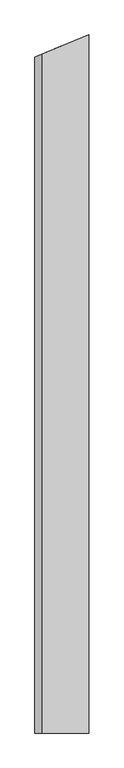
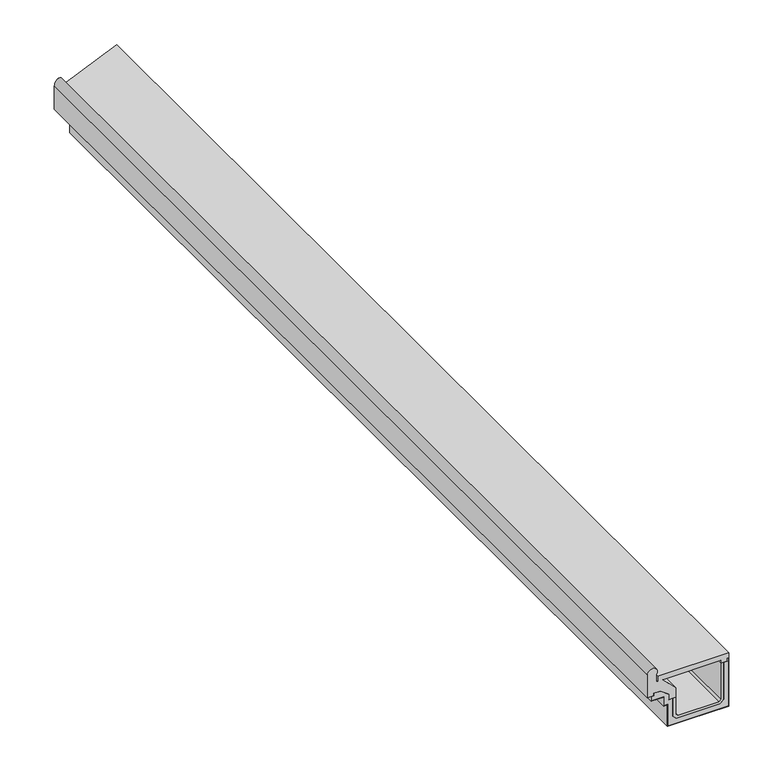
"""IFC4 building model written with IfcOpenShell, lengths in millimetres: proxy geometry."""

import ifcopenshell
import ifcopenshell.guid

model = None  # the IFC model being written
_history = None  # IfcOwnerHistory: only IFC2X3 demands one
_inside = {}  # id of a spatial element -> (the spatial element, [elements in it])
_under = {}  # id of a project, library or spatial element -> (it, [spatial elements below it])
_declared = {}  # id of a project -> (the project, [libraries it declares])
_typed = {}  # id of a type object -> (the type object, [elements of that type])
_made_of = {}  # id of a material, layer set ... -> (it, [elements and type objects made of it])


def new_model(schema):
    """Start an empty IFC model of exactly this schema.

    Asked for "IFC4X3", IfcOpenShell would pick the latest addendum, in which some entities
    have other attributes; the version numbers below select the first issue.
    IFC2X3 requires an IfcOwnerHistory on every rooted entity: one is made here for all.
    """
    global model, _history
    if schema == "IFC4X3":
        model = ifcopenshell.file(schema_version=(4, 3, 0, 0))
    else:
        model = ifcopenshell.file(schema=schema)
    _inside.clear()
    _under.clear()
    _declared.clear()
    _typed.clear()
    _made_of.clear()
    _history = None
    if model.schema == "IFC2X3":
        org = make("IfcOrganization", Name="unknown")
        user = make(
            "IfcPersonAndOrganization",
            ThePerson=make("IfcPerson", FamilyName="unknown"),
            TheOrganization=org,
        )
        app = make(
            "IfcApplication",
            ApplicationDeveloper=org,
            Version="unknown",
            ApplicationFullName="unknown",
            ApplicationIdentifier="unknown",
        )
        _history = make(
            "IfcOwnerHistory",
            OwningUser=user,
            OwningApplication=app,
            ChangeAction="ADDED",
            CreationDate=0,
        )
    return model


def make(cls, **values):
    """One entity of the class cls with the attributes given. An attribute that is None is left unset."""
    return model.create_entity(
        cls, **{name: value for name, value in values.items() if value is not None}
    )


def rooted(cls, **values):
    """An entity with a GlobalId (a new one), such as an element, a storey or a relation."""
    return make(cls, GlobalId=ifcopenshell.guid.new(), OwnerHistory=_history, **values)


def si_unit(unit_type, name, prefix=None):
    """IfcSIUnit, for example si_unit("LENGTHUNIT", "METRE", prefix="MILLI")."""
    return make("IfcSIUnit", UnitType=unit_type, Prefix=prefix, Name=name)


def assignment(units):
    """IfcUnitAssignment: the units of a project."""
    return None if units is None else make("IfcUnitAssignment", Units=units)


def point(xyz):
    """IfcCartesianPoint."""
    return None if xyz is None else make("IfcCartesianPoint", Coordinates=xyz)


def direction(xyz):
    """IfcDirection."""
    return None if xyz is None else make("IfcDirection", DirectionRatios=xyz)


def frame(location, z_axis=None, x_axis=None):
    """IfcAxis2Placement3D, a coordinate frame: its origin and axes. An axis left out is left unset."""
    return make(
        "IfcAxis2Placement3D",
        Location=point(location),
        Axis=direction(z_axis),
        RefDirection=direction(x_axis),
    )


def origin():
    """The frame at (0, 0, 0) with its axes left unset."""
    return frame((0.0, 0.0, 0.0))


def place(relative_to, where):
    """IfcLocalPlacement: puts the frame where relative to a parent placement (None: the world)."""
    return make(
        "IfcLocalPlacement", PlacementRelTo=relative_to, RelativePlacement=where
    )


def context(
    kind, dimensions, precision=None, world=None, true_north=None, identifier=None
):
    """IfcGeometricRepresentationContext, for example the 3D "Model" context."""
    return make(
        "IfcGeometricRepresentationContext",
        ContextIdentifier=identifier,
        ContextType=kind,
        CoordinateSpaceDimension=dimensions,
        Precision=precision,
        WorldCoordinateSystem=world,
        TrueNorth=true_north,
    )


def project(units=None, contexts=None):
    """IfcProject with its units and contexts."""
    return rooted(
        "IfcProject",
        Name="project",
        RepresentationContexts=contexts,
        UnitsInContext=assignment(units),
    )


def spatial(cls, under=None, at=None, **own):
    """A site, building, storey or space (cls), placed at a placement, below another one or the project."""
    s = rooted(cls, ObjectPlacement=at, **own)
    if under is not None:
        _under.setdefault(under.id(), (under, []))[1].append(s)
    return s


def circle_curve(where, radius):
    """IfcCircle in the frame where."""
    return make("IfcCircle", Position=where, Radius=radius)


def ellipse_curve(where, semi_axis1, semi_axis2):
    """IfcEllipse in the frame where."""
    return make(
        "IfcEllipse", Position=where, SemiAxis1=semi_axis1, SemiAxis2=semi_axis2
    )


def faces_of(points, faces, orient=None, outer=None):
    """IfcFace entities. A face is a list of loops; a loop is a list of indices into points, from 0.

    orient and outer hold one flag for each loop. By default every Orientation is true, the
    first loop of a face is its IfcFaceOuterBound and the others are IfcFaceBound.
    """
    made = []
    for i, loops in enumerate(faces):
        bounds = []
        for j, loop in enumerate(loops):
            is_outer = j == 0 if outer is None else outer[i][j]
            bounds.append(
                make(
                    "IfcFaceOuterBound" if is_outer else "IfcFaceBound",
                    Bound=make("IfcPolyLoop", Polygon=[points[k] for k in loop]),
                    Orientation=True if orient is None else orient[i][j],
                )
            )
        made.append(make("IfcFace", Bounds=bounds))
    return made


def faceted_brep(points, faces, orient=None, outer=None, voids=None):
    """IfcFacetedBrep: a solid bounded by flat faces; with voids (closed shells), ...WithVoids."""
    shared = [point(p) for p in points]
    hull = make("IfcClosedShell", CfsFaces=faces_of(shared, faces, orient, outer))
    if voids is None:
        return make("IfcFacetedBrep", Outer=hull)
    return make(
        "IfcFacetedBrepWithVoids",
        Outer=hull,
        Voids=[
            make(cls, CfsFaces=faces_of(shared, fs, o, b)) for cls, fs, o, b in voids
        ],
    )


def shape(context_of_items, identifier, shape_type, items):
    """IfcShapeRepresentation: the items that make up one representation, for example the "Body"."""
    return make(
        "IfcShapeRepresentation",
        ContextOfItems=context_of_items,
        RepresentationIdentifier=identifier,
        RepresentationType=shape_type,
        Items=items,
    )


def source(mapping_origin, context_of_items, identifier, shape_type, items):
    """IfcRepresentationMap: a shape defined once, which mapped items show again and again."""
    return make(
        "IfcRepresentationMap",
        MappingOrigin=mapping_origin,
        MappedRepresentation=shape(context_of_items, identifier, shape_type, items),
    )


def transform(
    local_origin,
    x_axis=None,
    y_axis=None,
    z_axis=None,
    scale=None,
    scale2=None,
    scale3=None,
    uniform=True,
):
    """IfcCartesianTransformationOperator3D, or its non-uniform kind. x_axis, y_axis, z_axis: its Axis1, 2, 3."""
    if uniform:
        return make(
            "IfcCartesianTransformationOperator3D",
            Axis1=direction(x_axis),
            Axis2=direction(y_axis),
            LocalOrigin=point(local_origin),
            Scale=scale,
            Axis3=direction(z_axis),
        )
    return make(
        "IfcCartesianTransformationOperator3DnonUniform",
        Axis1=direction(x_axis),
        Axis2=direction(y_axis),
        LocalOrigin=point(local_origin),
        Scale=scale,
        Axis3=direction(z_axis),
        Scale2=scale2,
        Scale3=scale3,
    )


def mapped(mapping_source, mapping_target):
    """IfcMappedItem: shows the shape of a source again, moved by a transform."""
    return make(
        "IfcMappedItem", MappingSource=mapping_source, MappingTarget=mapping_target
    )


def made_of(thing, what):
    """Note that an element or type object is made of a material, layer set ...; save() writes the relation."""
    if what is not None:
        _made_of.setdefault(what.id(), (what, []))[1].append(thing)
    return thing


def element(
    cls,
    number,
    at=None,
    inside=None,
    cuts=None,
    type_object=None,
    material=None,
    context=None,
    identifier="Body",
    shape_type=None,
    held_by="IfcProductDefinitionShape",
    body=None,
    shapes=None,
    **own,
):
    """One element of the class cls, such as IfcWall. Its Tag is "e" and its number.

    at: its placement. inside: the storey or other place that contains it. cuts: it is an
    opening in that element (IfcRelVoidsElement). A single representation is given by context,
    identifier, shape_type and body (its items); several are given by shapes. held_by: the class
    of the entity that holds the representations. save() writes the other relations.
    """
    e = rooted(cls, Tag="e%d" % number, ObjectPlacement=at, **own)
    if body is not None:
        shapes = [shape(context, identifier, shape_type, body)]
    if shapes is not None:
        e.Representation = make(held_by, Representations=shapes)
    if inside is not None:
        _inside.setdefault(inside.id(), (inside, []))[1].append(e)
    if cuts is not None:
        rooted(
            "IfcRelVoidsElement", RelatingBuildingElement=cuts, RelatedOpeningElement=e
        )
    if type_object is not None:
        _typed.setdefault(type_object.id(), (type_object, []))[1].append(e)
    return made_of(e, material)


def aggregate(whole, parts):
    """IfcRelAggregates: a whole, such as a stair, and the parts it consists of."""
    return rooted("IfcRelAggregates", RelatingObject=whole, RelatedObjects=parts)


def save(model, path):
    """Write the relations noted so far, then the file.

    IfcRelAggregates (storeys below a building ...), IfcRelContainedInSpatialStructure (elements
    in a storey), IfcRelDefinesByType, IfcRelAssociatesMaterial and IfcRelDeclares: one each for
    every whole, place, type object, material and project.
    """
    for whole, parts in _under.values():
        aggregate(whole, parts)
    for where, things in _inside.values():
        rooted(
            "IfcRelContainedInSpatialStructure",
            RelatedElements=things,
            RelatingStructure=where,
        )
    for kind, things in _typed.values():
        rooted("IfcRelDefinesByType", RelatedObjects=things, RelatingType=kind)
    for what, things in _made_of.values():
        rooted("IfcRelAssociatesMaterial", RelatedObjects=things, RelatingMaterial=what)
    for by, libraries in _declared.values():
        rooted("IfcRelDeclares", RelatingContext=by, RelatedDefinitions=libraries)
    model.write(path)


def plane_surface(at):
    """IfcPlane: the flat surface through the origin of the frame at, square to its z axis."""
    return make("IfcPlane", Position=at)


def cylinder_surface(at, radius):
    """IfcCylindricalSurface: all points at the distance radius from the z axis of the frame at."""
    return make("IfcCylindricalSurface", Position=at, Radius=radius)


def advanced_brep(points, edges, surfaces, faces):
    """IfcAdvancedBrep: a solid bounded by faces that lie on surfaces and meet in shared edges.

    An edge is (start, end): straight between two places in points (the first is 0);
    or (start, end, curve); or (start, end, curve, False) where it runs against its curve.
    A face is (place in surfaces, loops), or (place, loops, False) where it looks against
    its surface's normal. A loop lists edges by number (the first is 1), with a minus sign
    where the edge is run from its end to its start. The first loop is the outer one.
    """
    corners = [point(p) for p in points]
    vertices = [make("IfcVertexPoint", VertexGeometry=c) for c in corners]
    made = []
    for start, end, *more in edges:
        made.append(
            make(
                "IfcEdgeCurve",
                EdgeStart=vertices[start],
                EdgeEnd=vertices[end],
                EdgeGeometry=more[0] if more else make("IfcPolyline", Points=[corners[start], corners[end]]),
                SameSense=more[1] if len(more) > 1 else True,
            )
        )
    hull = []
    for where, loops, *sense in faces:
        bounds = []
        for j, loop in enumerate(loops):
            ring = [make("IfcOrientedEdge", EdgeElement=made[abs(k) - 1], Orientation=k > 0) for k in loop]
            bounds.append(
                make(
                    "IfcFaceOuterBound" if j == 0 else "IfcFaceBound",
                    Bound=make("IfcEdgeLoop", EdgeList=ring),
                    Orientation=True,
                )
            )
        hull.append(make("IfcAdvancedFace", Bounds=bounds, FaceSurface=surfaces[where], SameSense=sense[0] if sense else True))
    return make("IfcAdvancedBrep", Outer=make("IfcClosedShell", CfsFaces=hull))


def generic_models_b013e87e(model_context):
    return source(origin(), model_context, "Body", "SolidModel", [
        faceted_brep([(100.0, -2084.1134834, 35.6610034), (114.6610034, -2084.1134834, 21.0), (285.3389966, -2084.1134834, 21.0), (300.0, -2084.1134834, 35.6610034), (300.0, -2084.1134834, 189.0), (288.0, -2084.1134834, 189.0), (288.0, -2084.1134834, 40.6315661), (280.3684339, -2084.1134834, 33.0), (119.6315661, -2084.1134834, 33.0), (112.0, -2084.1134834, 40.6315661), (112.0, -2084.1134834, 108.8368406), (100.0, -2084.1134834, 108.8368406), (100.0, 1992.5722861, 108.8368406), (100.0, 1992.5722861, 35.6610034), (112.0, 1997.5428489, 108.8368406), (112.0, 1997.5428489, 40.6315661), (119.6315661, 2000.7039471, 33.0), (280.3684339, 2067.2833376, 33.0), (288.0, 2070.4444358, 40.6315661), (288.0, 2070.4444358, 189.0), (300.0, 2075.4149986, 189.0), (300.0, 2075.4149986, 35.6610034), (285.3389966, 2069.3422122, 21.0), (114.6610034, 1998.6450726, 21.0)], [[[0, 1, 2, 3, 4, 5, 6, 7, 8, 9, 10, 11]], [[0, 11, 12, 13]], [[11, 10, 14, 12]], [[10, 9, 15, 14]], [[9, 8, 16, 15]], [[8, 7, 17, 16]], [[7, 6, 18, 17]], [[6, 5, 19, 18]], [[5, 4, 20, 19]], [[4, 3, 21, 20]], [[3, 2, 22, 21]], [[2, 1, 23, 22]], [[1, 0, 13, 23]], [[13, 12, 14, 15, 16, 17, 18, 19, 20, 21, 22, 23]]]),
        faceted_brep([(320.0, 2083.6992698, 201.0), (321.0, 2084.1134834, 201.0), (321.0, 2084.1134834, 0.0), (79.0, 1983.8738013, 0.0), (79.0, 1983.8738013, 89.8368406), (64.0, 1977.6605979, 89.8368406), (64.0, 1977.6605979, 127.0), (20.0, 1959.4352011, 127.0), (20.0, 1959.4352011, 128.0), (65.0, 1978.0748114, 128.0), (65.0, 1978.0748114, 90.8368406), (80.0, 1984.2880149, 90.8368406), (80.0, 1984.2880149, 1.0), (320.0, 2083.6992698, 1.0), (320.0, -2084.1134834, 201.0), (321.0, -2084.1134834, 201.0), (321.0, -2084.1134834, 0.0), (79.0, -2084.1134834, 0.0), (79.0, -2084.1134834, 89.8368406), (64.0, -2084.1134834, 89.8368406), (64.0, -2084.1134834, 127.0), (20.0, -2084.1134834, 127.0), (20.0, -2084.1134834, 128.0), (65.0, -2084.1134834, 128.0), (65.0, -2084.1134834, 90.8368406), (80.0, -2084.1134834, 90.8368406), (80.0, -2084.1134834, 1.0), (320.0, -2084.1134834, 1.0)], [[[0, 1, 2, 3, 4, 5, 6, 7, 8, 9, 10, 11, 12, 13]], [[14, 15, 1, 0]], [[15, 16, 2, 1]], [[16, 17, 3, 2]], [[17, 18, 4, 3]], [[18, 19, 5, 4]], [[19, 20, 6, 5]], [[20, 21, 7, 6]], [[21, 22, 8, 7]], [[22, 23, 9, 8]], [[23, 24, 10, 9]], [[24, 25, 11, 10]], [[25, 26, 12, 11]], [[26, 27, 13, 12]], [[27, 14, 0, 13]], [[14, 27, 26, 25, 24, 23, 22, 21, 20, 19, 18, 17, 16, 15]]]),
        faceted_brep([(285.3389966, 2069.3422122, 21.0), (300.0, 2075.4149986, 35.6610034), (300.0, 2075.4149986, 189.0), (315.0, 2081.628202, 189.0), (315.0, 2081.628202, 201.0), (320.0, 2083.6992698, 201.0), (320.0, 2083.6992698, 1.0), (80.0, 1984.2880149, 1.0), (80.0, 1984.2880149, 90.8368406), (65.0, 1978.0748114, 90.8368406), (65.0, 1978.0748114, 128.0), (20.0, 1959.4352011, 128.0), (20.0, 1959.4352011, 127.0), (15.0, 1957.3641333, 127.0), (15.0, 1957.3641333, 146.0), (25.5239009, 1961.7232758, 146.0), (25.5239009, 1961.7232758, 156.0), (50.4946801, 1972.0665112, 156.0), (85.0, 1986.3590827, 132.3375819), (85.0, 1986.3590827, 108.8368406), (100.0, 1992.5722861, 108.8368406), (100.0, 1992.5722861, 35.6610034), (114.6610034, 1998.6450726, 21.0), (285.3389966, -2084.1134834, 21.0), (300.0, -2084.1134834, 35.6610034), (300.0, -2084.1134834, 189.0), (315.0, -2084.1134834, 189.0), (315.0, -2084.1134834, 201.0), (320.0, -2084.1134834, 201.0), (320.0, -2084.1134834, 1.0), (80.0, -2084.1134834, 1.0), (80.0, -2084.1134834, 90.8368406), (65.0, -2084.1134834, 90.8368406), (65.0, -2084.1134834, 128.0), (20.0, -2084.1134834, 128.0), (15.0, -2084.1134834, 127.0), (15.0, -2084.1134834, 146.0), (25.5239009, -2084.1134834, 146.0), (25.5239009, -2084.1134834, 156.0), (50.4946801, -2084.1134834, 156.0), (85.0, -2084.1134834, 132.3375819), (85.0, -2084.1134834, 108.8368406), (100.0, -2084.1134834, 108.8368406), (100.0, -2084.1134834, 35.6610034), (114.6610034, -2084.1134834, 21.0), (20.0, -2084.1134834, 127.0)], [[[0, 1, 2, 3, 4, 5, 6, 7, 8, 9, 10, 11, 12, 13, 14, 15, 16, 17, 18, 19, 20, 21, 22]], [[23, 24, 1, 0]], [[24, 25, 2, 1]], [[25, 26, 3, 2]], [[26, 27, 4, 3]], [[27, 28, 5, 4]], [[28, 29, 6, 5]], [[29, 30, 7, 6]], [[30, 31, 8, 7]], [[31, 32, 9, 8]], [[32, 33, 10, 9]], [[33, 34, 11, 10]], [[35, 36, 14, 13]], [[36, 37, 15, 14]], [[37, 38, 16, 15]], [[38, 39, 17, 16]], [[39, 40, 18, 17]], [[40, 41, 19, 18]], [[41, 42, 20, 19]], [[42, 43, 21, 20]], [[43, 44, 22, 21]], [[34, 45, 12, 11]], [[45, 35, 13, 12]], [[44, 23, 0, 22]], [[24, 23, 44, 43, 42, 41, 40, 39, 38, 37, 36, 35, 45, 34, 33, 32, 31, 30, 29, 28, 27, 26, 25]]]),
        advanced_brep(
        [(0.0, 1951.1509299, 242.9090321), (19.9086814, 1959.3973757, 261.0), (35.9968134, 1966.0612982, 229.1184171), (35.9968134, 1966.0612982, 201.0), (40.9968134, 1968.132366, 201.0), (40.9968134, 1968.132366, 221.0), (321.0, 2084.1134834, 221.0), (321.0, 2084.1134834, 201.0), (315.0, 2081.628202, 201.0), (315.0, 2081.628202, 189.0), (288.0, 2070.4444358, 189.0), (288.0, 2070.4444358, 201.0), (60.9968134, 1976.4166372, 201.0), (112.0, 1997.5428489, 148.3590719), (112.0, 1997.5428489, 108.8368406), (85.0, 1986.3590827, 108.8368406), (85.0, 1986.3590827, 132.3375819), (50.4946801, 1972.0665112, 156.0), (25.5239009, 1961.7232758, 156.0), (25.5239009, 1961.7232758, 146.0), (0.0, 1951.1509299, 146.0), (0.0, -2084.1134834, 242.9090321), (35.9968134, -2084.1134834, 229.1184171), (35.9968134, -2084.1134834, 201.0), (321.0, -2084.1134834, 221.0), (40.9968134, -2084.1134834, 221.0), (321.0, -2084.1134834, 201.0), (315.0, -2084.1134834, 201.0), (315.0, -2084.1134834, 189.0), (288.0, -2084.1134834, 189.0), (85.0, -2084.1134834, 108.8368406), (112.0, -2084.1134834, 108.8368406), (85.0, -2084.1134834, 132.3375819), (50.4946801, -2084.1134834, 156.0), (25.5239009, -2084.1134834, 156.0), (25.5239009, -2084.1134834, 146.0), (0.0, -2084.1134834, 146.0), (112.0, -2084.1134834, 148.3590719), (60.9968134, -2084.1134834, 201.0), (288.0, -2084.1134834, 201.0), (40.9968134, -2084.1134834, 201.0)],
        [
            (0, 1, ellipse_curve(frame((19.9086814, 1959.3973757, 241.0), z_axis=(-0.3826834323650891, 0.9238795325112871, 0.0), x_axis=(0.9238795325112873, 0.38268343236508884, 0.0)), 21.647844, 20.0)),
            (1, 2, ellipse_curve(frame((19.9086814, 1959.3973757, 241.0), z_axis=(-0.3826834323650891, 0.9238795325112871, 0.0), x_axis=(0.9238795325112873, 0.38268343236508884, 0.0)), 21.647844, 20.0)),
            (2, 3),
            (3, 4),
            (4, 5),
            (5, 6),
            (6, 7),
            (7, 8),
            (8, 9),
            (9, 10),
            (10, 11),
            (11, 12),
            (12, 13),
            (13, 14),
            (14, 15),
            (15, 16),
            (16, 17),
            (17, 18),
            (18, 19),
            (19, 20),
            (20, 0),
            (21, 22, circle_curve(frame((19.9086814, -2084.1134834, 241.0), z_axis=(0.0, 1.0, 0.0), x_axis=(1.0, 0.0, 0.0)), 20.0)),
            (22, 2),
            (0, 21),
            (23, 3),
            (22, 23),
            (24, 6),
            (5, 25),
            (25, 24),
            (26, 27),
            (27, 8),
            (7, 26),
            (27, 28),
            (28, 9),
            (29, 10),
            (28, 29),
            (30, 15),
            (14, 31),
            (31, 30),
            (30, 32),
            (32, 16),
            (32, 33),
            (33, 17),
            (33, 34),
            (34, 18),
            (34, 35),
            (35, 19),
            (35, 36),
            (36, 20),
            (36, 21),
            (24, 26),
            (31, 37),
            (37, 38),
            (38, 39),
            (39, 29),
            (25, 40),
            (40, 23),
            (40, 4),
            (13, 37),
            (39, 11),
            (38, 12),
        ],
        [
            plane_surface(frame((0.0, 1951.1509299, 261.0), z_axis=(-0.3826834323650891, 0.9238795325112871, 0.0), x_axis=(0.0, 0.0, -1.0))),
            cylinder_surface(frame((19.9086814, 2084.1134834, 241.0), z_axis=(0.0, 1.0, 0.0), x_axis=(1.0, 0.0, 0.0)), 20.0),
            plane_surface(frame((35.9968134, 2084.1134834, 229.1184171), z_axis=(1.0, 0.0, 0.0), x_axis=(0.0, -1.0, 0.0))),
            plane_surface(frame((35.9968134, 2084.1134834, 221.0), z_axis=(0.0, 0.0, 1.0), x_axis=(0.0, -1.0, 0.0))),
            plane_surface(frame((321.0, 2084.1134834, 201.0), z_axis=(0.0, 0.0, -1.0), x_axis=(0.0, -1.0, 0.0))),
            plane_surface(frame((315.0, 2084.1134834, 201.0), z_axis=(1.0, 0.0, 0.0), x_axis=(0.0, -1.0, 0.0))),
            plane_surface(frame((315.0, 2084.1134834, 189.0), z_axis=(0.0, 0.0, -1.0), x_axis=(0.0, -1.0, 0.0))),
            plane_surface(frame((100.0, 2084.1134834, 108.8368406), z_axis=(0.0, 0.0, -1.0), x_axis=(0.0, -1.0, 0.0))),
            plane_surface(frame((85.0, 2084.1134834, 108.8368406), z_axis=(-1.0, 0.0, 0.0), x_axis=(0.0, -1.0, 0.0))),
            plane_surface(frame((85.0, 2084.1134834, 132.3375819), z_axis=(-0.5655548098949021, 0.0, -0.8247107111010146), x_axis=(0.0, -1.0, 0.0))),
            plane_surface(frame((50.4946801, 2084.1134834, 156.0), z_axis=(0.0, 0.0, -1.0), x_axis=(0.0, -1.0, 0.0))),
            plane_surface(frame((25.5239009, 2084.1134834, 156.0), z_axis=(1.0, 0.0, 0.0), x_axis=(0.0, -1.0, 0.0))),
            plane_surface(frame((25.5239009, 2084.1134834, 146.0), z_axis=(0.0, 0.0, -1.0), x_axis=(0.0, -1.0, 0.0))),
            plane_surface(frame((0.0, 2084.1134834, 146.0), z_axis=(-1.0, 0.0, 0.0), x_axis=(0.0, -1.0, 0.0))),
            plane_surface(frame((321.0, 2084.1134834, 221.0), z_axis=(1.0, 0.0, 0.0), x_axis=(0.0, -1.0, 0.0))),
            plane_surface(frame((0.0, -2084.1134834, 21.0), z_axis=(0.0, -1.0, 0.0), x_axis=(0.0, 0.0, 1.0))),
            plane_surface(frame((35.9968134, -2084.1134834, 201.0), z_axis=(0.0, 0.0, 1.0), x_axis=(0.0, 1.0, 0.0))),
            plane_surface(frame((40.9968134, -2084.1134834, 201.0), z_axis=(-1.0, 0.0, 0.0), x_axis=(0.0, 1.0, 0.0))),
            plane_surface(frame((112.0, -2084.1134834, 148.3590719), z_axis=(1.0, 0.0, 0.0), x_axis=(0.0, 1.0, 0.0))),
            plane_surface(frame((288.0, -2084.1134834, 189.0), z_axis=(-1.0, 0.0, 0.0), x_axis=(0.0, 1.0, 0.0))),
            plane_surface(frame((288.0, -2084.1134834, 201.0), z_axis=(0.0, 0.0, -1.0), x_axis=(0.0, 1.0, 0.0))),
            plane_surface(frame((60.9968134, -2084.1134834, 201.0), z_axis=(0.7181905333295423, 0.0, 0.6958465045078746), x_axis=(0.0, 1.0, 0.0))),
        ],
        [
            (0, [[1, 2, 3, 4, 5, 6, 7, 8, 9, 10, 11, 12, 13, 14, 15, 16, 17, 18, 19, 20, 21]]),
            (1, [[22, 23, -2, -1, 24]]),
            (2, [[25, -3, -23, 26]]),
            (3, [[27, -6, 28, 29]]),
            (4, [[30, 31, -8, 32]]),
            (5, [[33, 34, -9, -31]]),
            (6, [[35, -10, -34, 36]]),
            (7, [[37, -15, 38, 39]]),
            (8, [[40, 41, -16, -37]]),
            (9, [[42, 43, -17, -41]]),
            (10, [[44, 45, -18, -43]]),
            (11, [[46, 47, -19, -45]]),
            (12, [[48, 49, -20, -47]]),
            (13, [[50, -24, -21, -49]]),
            (14, [[51, -32, -7, -27]]),
            (15, [[-50, -48, -46, -44, -42, -40, -39, 52, 53, 54, 55, -36, -33, -30, -51, -29, 56, 57, -26, -22]]),
            (16, [[-25, -57, 58, -4]]),
            (17, [[-58, -56, -28, -5]]),
            (18, [[59, -52, -38, -14]]),
            (19, [[-35, -55, 60, -11]]),
            (20, [[-60, -54, 61, -12]]),
            (21, [[-59, -13, -61, -53]]),
        ],
    ),
    ])


if __name__ == "__main__":
    model = new_model("IFC4")
    model_context = context("Model", 3, world=origin())
    ifc_project = project(units=[si_unit("LENGTHUNIT", "METRE", prefix="MILLI")], contexts=[model_context])
    site = spatial("IfcSite", under=ifc_project)
    building = spatial("IfcBuilding", under=site)
    placement = place(None, origin())
    generic_models_shape = generic_models_b013e87e(model_context)
    element("IfcBuildingElementProxy", 1, Name="Generic Models", at=placement, inside=building, context=model_context, shape_type="MappedRepresentation", body=[
        mapped(generic_models_shape, transform((0.0, 0.0, 0.0), x_axis=(1.0, 0.0, 0.0), y_axis=(0.0, 1.0, 0.0), z_axis=(0.0, 0.0, 1.0))),
    ])
    save(model, "model.ifc")
